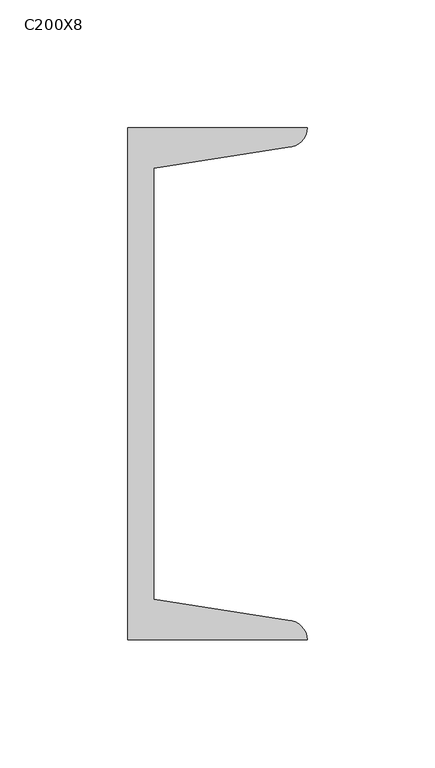
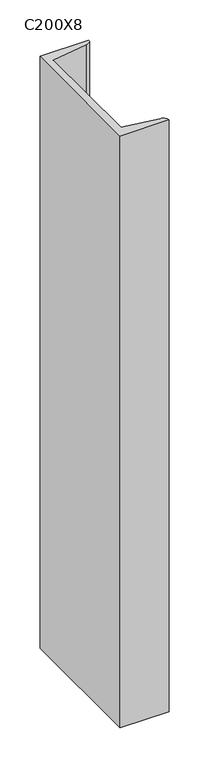
"""IFC4 building model written with IfcOpenShell, lengths in millimetres: column geometry, C200X8."""

from ifc_helpers import new_model, si_unit, point, frame, frame_2d, origin, place, context, project, spatial, polyline, circle_curve, trimmed, segment, composite_curve, outline, extrude, source, transform, mapped, element, save


def c200x8_7195d147(model_context):
    return source(origin(), model_context, "Body", "SweptSolid", [
        extrude(outline(composite_curve([segment(polyline([(5.0, 100.0), (75.0, 100.0)]), True, "CONTINUOUS"), segment(trimmed(circle_curve(frame_2d((67.5, 100.0)), 7.5), [point((75.0, 100.0))], [point((67.5, 92.5))], False, "CARTESIAN"), True, "CONTINUOUS"), segment(polyline([(67.5, 92.5), (15.0, 84.1848169), (15.0, -84.1848169), (67.5, -92.5)]), True, "CONTINUOUS"), segment(trimmed(circle_curve(frame_2d((67.5, -100.0)), 7.5), [point((67.5, -92.5))], [point((75.0, -100.0))], False, "CARTESIAN"), True, "CONTINUOUS"), segment(polyline([(75.0, -100.0), (5.0, -100.0), (5.0, 100.0)]), True, "CONTINUOUS")], self_intersect=False)), frame((0.0, 0.0, 9350.0), z_axis=(0.0, 0.0, 1.0), x_axis=(1.0, 0.0, 0.0)), (0.0, 0.0, 1.0), 900.0),
    ])


if __name__ == "__main__":
    model = new_model("IFC4")
    model_context = context("Model", 3, world=origin())
    ifc_project = project(units=[si_unit("LENGTHUNIT", "METRE", prefix="MILLI")], contexts=[model_context])
    site = spatial("IfcSite", under=ifc_project)
    building = spatial("IfcBuilding", under=site)
    placement = place(None, origin())
    c200x8_shape = c200x8_7195d147(model_context)
    element("IfcColumn", 1, ObjectType="C200X8", at=placement, inside=building, context=model_context, shape_type="MappedRepresentation", body=[
        mapped(c200x8_shape, transform((0.0, 0.0, 0.0), x_axis=(1.0, 0.0, 0.0), y_axis=(0.0, 1.0, 0.0), z_axis=(0.0, 0.0, 1.0))),
    ])
    save(model, "model.ifc")
